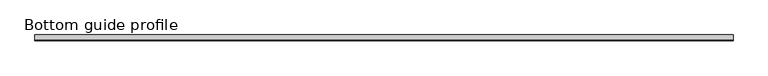
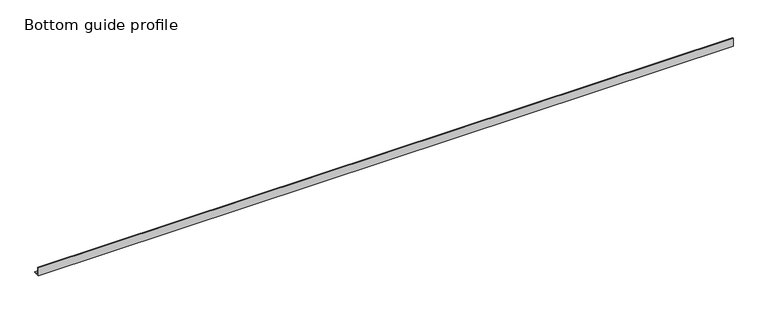
"""IFC4 building model written with IfcOpenShell, lengths in millimetres: proxy geometry, Bottom guide profile."""

import ifcopenshell
import ifcopenshell.guid

model = None  # the IFC model being written
_history = None  # IfcOwnerHistory: only IFC2X3 demands one
_inside = {}  # id of a spatial element -> (the spatial element, [elements in it])
_under = {}  # id of a project, library or spatial element -> (it, [spatial elements below it])
_declared = {}  # id of a project -> (the project, [libraries it declares])
_typed = {}  # id of a type object -> (the type object, [elements of that type])
_made_of = {}  # id of a material, layer set ... -> (it, [elements and type objects made of it])


def new_model(schema):
    """Start an empty IFC model of exactly this schema.

    Asked for "IFC4X3", IfcOpenShell would pick the latest addendum, in which some entities
    have other attributes; the version numbers below select the first issue.
    IFC2X3 requires an IfcOwnerHistory on every rooted entity: one is made here for all.
    """
    global model, _history
    if schema == "IFC4X3":
        model = ifcopenshell.file(schema_version=(4, 3, 0, 0))
    else:
        model = ifcopenshell.file(schema=schema)
    _inside.clear()
    _under.clear()
    _declared.clear()
    _typed.clear()
    _made_of.clear()
    _history = None
    if model.schema == "IFC2X3":
        org = make("IfcOrganization", Name="unknown")
        user = make(
            "IfcPersonAndOrganization",
            ThePerson=make("IfcPerson", FamilyName="unknown"),
            TheOrganization=org,
        )
        app = make(
            "IfcApplication",
            ApplicationDeveloper=org,
            Version="unknown",
            ApplicationFullName="unknown",
            ApplicationIdentifier="unknown",
        )
        _history = make(
            "IfcOwnerHistory",
            OwningUser=user,
            OwningApplication=app,
            ChangeAction="ADDED",
            CreationDate=0,
        )
    return model


def make(cls, **values):
    """One entity of the class cls with the attributes given. An attribute that is None is left unset."""
    return model.create_entity(
        cls, **{name: value for name, value in values.items() if value is not None}
    )


def rooted(cls, **values):
    """An entity with a GlobalId (a new one), such as an element, a storey or a relation."""
    return make(cls, GlobalId=ifcopenshell.guid.new(), OwnerHistory=_history, **values)


def si_unit(unit_type, name, prefix=None):
    """IfcSIUnit, for example si_unit("LENGTHUNIT", "METRE", prefix="MILLI")."""
    return make("IfcSIUnit", UnitType=unit_type, Prefix=prefix, Name=name)


def assignment(units):
    """IfcUnitAssignment: the units of a project."""
    return None if units is None else make("IfcUnitAssignment", Units=units)


def point(xyz):
    """IfcCartesianPoint."""
    return None if xyz is None else make("IfcCartesianPoint", Coordinates=xyz)


def direction(xyz):
    """IfcDirection."""
    return None if xyz is None else make("IfcDirection", DirectionRatios=xyz)


def frame(location, z_axis=None, x_axis=None):
    """IfcAxis2Placement3D, a coordinate frame: its origin and axes. An axis left out is left unset."""
    return make(
        "IfcAxis2Placement3D",
        Location=point(location),
        Axis=direction(z_axis),
        RefDirection=direction(x_axis),
    )


def origin():
    """The frame at (0, 0, 0) with its axes left unset."""
    return frame((0.0, 0.0, 0.0))


def place(relative_to, where):
    """IfcLocalPlacement: puts the frame where relative to a parent placement (None: the world)."""
    return make(
        "IfcLocalPlacement", PlacementRelTo=relative_to, RelativePlacement=where
    )


def context(
    kind, dimensions, precision=None, world=None, true_north=None, identifier=None
):
    """IfcGeometricRepresentationContext, for example the 3D "Model" context."""
    return make(
        "IfcGeometricRepresentationContext",
        ContextIdentifier=identifier,
        ContextType=kind,
        CoordinateSpaceDimension=dimensions,
        Precision=precision,
        WorldCoordinateSystem=world,
        TrueNorth=true_north,
    )


def project(units=None, contexts=None):
    """IfcProject with its units and contexts."""
    return rooted(
        "IfcProject",
        Name="project",
        RepresentationContexts=contexts,
        UnitsInContext=assignment(units),
    )


def spatial(cls, under=None, at=None, **own):
    """A site, building, storey or space (cls), placed at a placement, below another one or the project."""
    s = rooted(cls, ObjectPlacement=at, **own)
    if under is not None:
        _under.setdefault(under.id(), (under, []))[1].append(s)
    return s


def polyline(points):
    """IfcPolyline through the points."""
    return make("IfcPolyline", Points=[point(p) for p in points])


def outline(outer, holes=None, kind="AREA"):
    """IfcArbitraryClosedProfileDef: a profile drawn as a closed curve; with holes, ...WithVoids."""
    if holes is None:
        return make("IfcArbitraryClosedProfileDef", ProfileType=kind, OuterCurve=outer)
    return make(
        "IfcArbitraryProfileDefWithVoids",
        ProfileType=kind,
        OuterCurve=outer,
        InnerCurves=holes,
    )


def extrude(swept, where, along, depth):
    """IfcExtrudedAreaSolid: the profile swept, set in the frame where, extruded along a direction by depth."""
    return make(
        "IfcExtrudedAreaSolid",
        SweptArea=swept,
        Position=where,
        ExtrudedDirection=direction(along),
        Depth=depth,
    )


def shape(context_of_items, identifier, shape_type, items):
    """IfcShapeRepresentation: the items that make up one representation, for example the "Body"."""
    return make(
        "IfcShapeRepresentation",
        ContextOfItems=context_of_items,
        RepresentationIdentifier=identifier,
        RepresentationType=shape_type,
        Items=items,
    )


def source(mapping_origin, context_of_items, identifier, shape_type, items):
    """IfcRepresentationMap: a shape defined once, which mapped items show again and again."""
    return make(
        "IfcRepresentationMap",
        MappingOrigin=mapping_origin,
        MappedRepresentation=shape(context_of_items, identifier, shape_type, items),
    )


def transform(
    local_origin,
    x_axis=None,
    y_axis=None,
    z_axis=None,
    scale=None,
    scale2=None,
    scale3=None,
    uniform=True,
):
    """IfcCartesianTransformationOperator3D, or its non-uniform kind. x_axis, y_axis, z_axis: its Axis1, 2, 3."""
    if uniform:
        return make(
            "IfcCartesianTransformationOperator3D",
            Axis1=direction(x_axis),
            Axis2=direction(y_axis),
            LocalOrigin=point(local_origin),
            Scale=scale,
            Axis3=direction(z_axis),
        )
    return make(
        "IfcCartesianTransformationOperator3DnonUniform",
        Axis1=direction(x_axis),
        Axis2=direction(y_axis),
        LocalOrigin=point(local_origin),
        Scale=scale,
        Axis3=direction(z_axis),
        Scale2=scale2,
        Scale3=scale3,
    )


def mapped(mapping_source, mapping_target):
    """IfcMappedItem: shows the shape of a source again, moved by a transform."""
    return make(
        "IfcMappedItem", MappingSource=mapping_source, MappingTarget=mapping_target
    )


def made_of(thing, what):
    """Note that an element or type object is made of a material, layer set ...; save() writes the relation."""
    if what is not None:
        _made_of.setdefault(what.id(), (what, []))[1].append(thing)
    return thing


def element(
    cls,
    number,
    at=None,
    inside=None,
    cuts=None,
    type_object=None,
    material=None,
    context=None,
    identifier="Body",
    shape_type=None,
    held_by="IfcProductDefinitionShape",
    body=None,
    shapes=None,
    **own,
):
    """One element of the class cls, such as IfcWall. Its Tag is "e" and its number.

    at: its placement. inside: the storey or other place that contains it. cuts: it is an
    opening in that element (IfcRelVoidsElement). A single representation is given by context,
    identifier, shape_type and body (its items); several are given by shapes. held_by: the class
    of the entity that holds the representations. save() writes the other relations.
    """
    e = rooted(cls, Tag="e%d" % number, ObjectPlacement=at, **own)
    if body is not None:
        shapes = [shape(context, identifier, shape_type, body)]
    if shapes is not None:
        e.Representation = make(held_by, Representations=shapes)
    if inside is not None:
        _inside.setdefault(inside.id(), (inside, []))[1].append(e)
    if cuts is not None:
        rooted(
            "IfcRelVoidsElement", RelatingBuildingElement=cuts, RelatedOpeningElement=e
        )
    if type_object is not None:
        _typed.setdefault(type_object.id(), (type_object, []))[1].append(e)
    return made_of(e, material)


def aggregate(whole, parts):
    """IfcRelAggregates: a whole, such as a stair, and the parts it consists of."""
    return rooted("IfcRelAggregates", RelatingObject=whole, RelatedObjects=parts)


def save(model, path):
    """Write the relations noted so far, then the file.

    IfcRelAggregates (storeys below a building ...), IfcRelContainedInSpatialStructure (elements
    in a storey), IfcRelDefinesByType, IfcRelAssociatesMaterial and IfcRelDeclares: one each for
    every whole, place, type object, material and project.
    """
    for whole, parts in _under.values():
        aggregate(whole, parts)
    for where, things in _inside.values():
        rooted(
            "IfcRelContainedInSpatialStructure",
            RelatedElements=things,
            RelatingStructure=where,
        )
    for kind, things in _typed.values():
        rooted("IfcRelDefinesByType", RelatedObjects=things, RelatingType=kind)
    for what, things in _made_of.values():
        rooted("IfcRelAssociatesMaterial", RelatedObjects=things, RelatingMaterial=what)
    for by, libraries in _declared.values():
        rooted("IfcRelDeclares", RelatingContext=by, RelatedDefinitions=libraries)
    model.write(path)


def bottom_guide_profile_d8061fa4(model_context):
    return source(origin(), model_context, "Body", "SweptSolid", [
        extrude(outline(polyline([(0.0, 27.6406783), (2.5, 27.6406783), (2.5, 2.5046307), (20.0, 2.5046307), (20.0, 0.0), (0.0, 0.0), (0.0, 27.6406783)])), frame((0.0, 0.0, 0.0), z_axis=(1.0, 0.0, 0.0), x_axis=(0.0, 1.0, 0.0)), (0.0, 0.0, 1.0), 2350.0),
    ])


if __name__ == "__main__":
    model = new_model("IFC4")
    model_context = context("Model", 3, world=origin())
    ifc_project = project(units=[si_unit("LENGTHUNIT", "METRE", prefix="MILLI")], contexts=[model_context])
    site = spatial("IfcSite", under=ifc_project)
    building = spatial("IfcBuilding", under=site)
    placement = place(None, origin())
    bottom_guide_profile_shape = bottom_guide_profile_d8061fa4(model_context)
    element("IfcBuildingElementProxy", 1, Name="Bottom guide profile", ObjectType="Bottom guide profile", at=placement, inside=building, context=model_context, shape_type="MappedRepresentation", body=[
        mapped(bottom_guide_profile_shape, transform((0.0, 0.0, 0.0), x_axis=(1.0, 0.0, 0.0), y_axis=(0.0, 1.0, 0.0), z_axis=(0.0, 0.0, 1.0))),
    ])
    save(model, "model.ifc")
